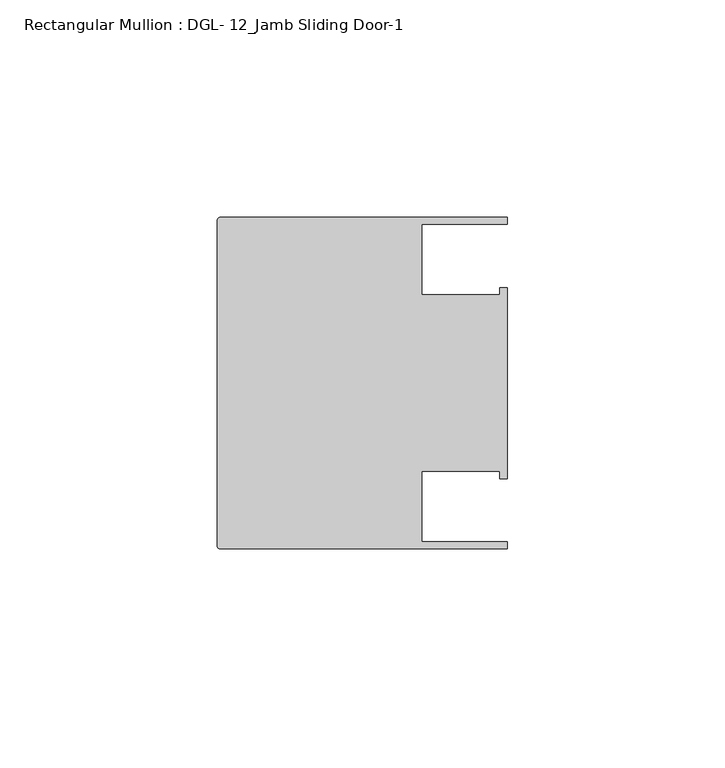
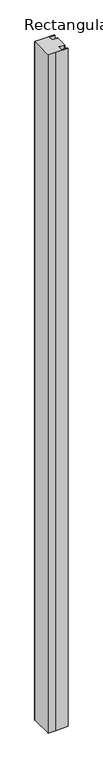
"""IFC4 building model written with IfcOpenShell, lengths in millimetres: member geometry, Rectangular Mullion : DGL- 12_Jamb Sliding Door-1."""

from ifc_helpers import new_model, si_unit, frame, origin, place, context, project, spatial, circle_curve, source, transform, mapped, element, save
from ifc_brep_helpers import plane_surface, cylinder_surface, advanced_brep


def rectangular_mullion_dgl_12_jamb_sliding_door_1_ee74d0f0(model_context):
    return source(origin(), model_context, "Body", "AdvancedBrep", [
        advanced_brep(
        [(66.6740655, 38.0996472, 0.0), (22.0141894, 38.0996472, 0.0), (0.5953125, 38.099984, 0.0), (0.0, 37.5046715, 0.0), (0.0, -37.5047035, 0.0), (0.5953125, -38.100016, 0.0), (25.1629839, -38.100016, 0.0), (66.6649711, -38.100048, 0.0), (66.6649711, -36.5073056, 0.0), (46.9507384, -36.5073056, 0.0), (46.9507384, -20.292327, 0.0), (64.9202072, -20.292327, 0.0), (64.9202072, -21.9711296, 0.0), (66.6740655, -21.9711296, 0.0), (66.6740655, 21.9710656, 0.0), (64.9202072, 21.9710656, 0.0), (64.9202072, 20.3415833, 0.0), (47.0121851, 20.3415833, 0.0), (47.0121851, 36.512484, 0.0), (66.6740655, 36.512484, 0.0), (66.6740655, 38.0996472, -2386.0078176), (66.6740655, 36.512484, -2386.0078176), (47.0121851, 36.512484, -2386.0078176), (47.0121851, 20.3415833, -2386.0078176), (64.9202072, 20.3415833, -2386.0078176), (64.9202072, 21.9710656, -2386.0078176), (66.6740655, 21.9710656, -2386.0078176), (66.6740655, -21.9711296, -2386.0078176), (64.9202072, -21.9711296, -2386.0078176), (64.9202072, -20.292327, -2386.0078176), (46.9507384, -20.292327, -2386.0078176), (46.9507384, -36.5073056, -2386.0078176), (66.6649711, -36.5073056, -2386.0078176), (66.6649711, -38.100048, -2386.0078176), (25.1629839, -38.100048, -2386.0078176), (0.5953125, -38.100016, -2386.0078176), (0.0, -37.5047035, -2386.0078176), (0.0, 37.5046715, -2386.0078176), (0.5953125, 38.099984, -2386.0078176), (22.0141894, 38.099984, -2386.0078176)],
        [
            (0, 1),
            (1, 2),
            (2, 3, circle_curve(frame((0.5953125, 37.5046715, 0.0), z_axis=(0.0, 0.0, 1.0), x_axis=(1.0, 0.0, 0.0)), 0.5953125)),
            (3, 4),
            (4, 5, circle_curve(frame((0.5953125, -37.5047035, 0.0), z_axis=(0.0, 0.0, 1.0), x_axis=(1.0, 0.0, 0.0)), 0.5953125)),
            (5, 6),
            (6, 7),
            (7, 8),
            (8, 9),
            (9, 10),
            (10, 11),
            (11, 12),
            (12, 13),
            (13, 14),
            (14, 15),
            (15, 16),
            (16, 17),
            (17, 18),
            (18, 19),
            (19, 0),
            (20, 21),
            (21, 22),
            (22, 23),
            (23, 24),
            (24, 25),
            (25, 26),
            (26, 27),
            (27, 28),
            (28, 29),
            (29, 30),
            (30, 31),
            (31, 32),
            (32, 33),
            (33, 34),
            (34, 35),
            (35, 36, circle_curve(frame((0.5953125, -37.5047035, -2386.0078176), z_axis=(0.0, 0.0, -1.0), x_axis=(1.0, 0.0, 0.0)), 0.5953125)),
            (36, 37),
            (37, 38, circle_curve(frame((0.5953125, 37.5046715, -2386.0078176), z_axis=(0.0, 0.0, -1.0), x_axis=(1.0, 0.0, 0.0)), 0.5953125)),
            (38, 39),
            (39, 20),
            (1, 39),
            (38, 2),
            (3, 37),
            (36, 4),
            (5, 35),
            (34, 6),
            (33, 7),
            (32, 8),
            (31, 9),
            (30, 10),
            (29, 11),
            (28, 12),
            (27, 13),
            (26, 14),
            (25, 15),
            (24, 16),
            (23, 17),
            (22, 18),
            (21, 19),
            (20, 0),
        ],
        [
            plane_surface(frame((0.0, -76.7920186, 0.0), z_axis=(0.0, 0.0, 1.0), x_axis=(-1.0, 0.0, 0.0))),
            plane_surface(frame((0.0, -76.7920186, -2386.0078176), z_axis=(0.0, 0.0, -1.0), x_axis=(-1.0, 0.0, 0.0))),
            plane_surface(frame((22.0141894, 38.099984, 0.0), z_axis=(0.0, 1.0, 0.0), x_axis=(0.0, 0.0, -1.0))),
            plane_surface(frame((0.0, 37.5046715, 0.0), z_axis=(-1.0, 0.0, 0.0), x_axis=(0.0, 0.0, -1.0))),
            plane_surface(frame((0.5953125, -38.100016, 0.0), z_axis=(0.0, -1.0, 0.0), x_axis=(0.0, 0.0, -1.0))),
            plane_surface(frame((25.1629839, -38.100048, 0.0), z_axis=(0.0, -1.0, 0.0), x_axis=(0.0, 0.0, -1.0))),
            plane_surface(frame((66.6649711, -38.100048, 0.0), z_axis=(1.0, 0.0, 0.0), x_axis=(0.0, 0.0, -1.0))),
            plane_surface(frame((66.6649711, -36.5073056, 0.0), z_axis=(0.0, 1.0, 0.0), x_axis=(0.0, 0.0, -1.0))),
            plane_surface(frame((46.9507384, -36.5073056, 0.0), z_axis=(1.0, 0.0, 0.0), x_axis=(0.0, 0.0, -1.0))),
            plane_surface(frame((46.9507384, -20.292327, 0.0), z_axis=(0.0, -1.0, 0.0), x_axis=(0.0, 0.0, -1.0))),
            plane_surface(frame((64.9202072, -20.292327, 0.0), z_axis=(-1.0, 0.0, 0.0), x_axis=(0.0, 0.0, -1.0))),
            plane_surface(frame((64.9202072, -21.9711296, 0.0), z_axis=(0.0, -1.0, 0.0), x_axis=(0.0, 0.0, -1.0))),
            plane_surface(frame((66.6740655, -21.9711296, 0.0), z_axis=(1.0, 0.0, 0.0), x_axis=(0.0, 0.0, -1.0))),
            plane_surface(frame((66.6740655, 21.9710656, 0.0), z_axis=(0.0, 1.0, 0.0), x_axis=(0.0, 0.0, -1.0))),
            plane_surface(frame((64.9202072, 21.9710656, 0.0), z_axis=(-1.0, 0.0, 0.0), x_axis=(0.0, 0.0, -1.0))),
            plane_surface(frame((64.9202072, 20.3415833, 0.0), z_axis=(0.0, 1.0, 0.0), x_axis=(0.0, 0.0, -1.0))),
            plane_surface(frame((47.0121851, 20.3415833, 0.0), z_axis=(1.0, 0.0, 0.0), x_axis=(0.0, 0.0, -1.0))),
            plane_surface(frame((47.0121851, 36.512484, 0.0), z_axis=(0.0, -1.0, 0.0), x_axis=(0.0, 0.0, -1.0))),
            plane_surface(frame((66.6740655, 36.512484, 0.0), z_axis=(1.0, 0.0, 0.0), x_axis=(0.0, 0.0, -1.0))),
            plane_surface(frame((66.6740655, 38.0996472, 0.0), z_axis=(0.0, 1.0, 0.0), x_axis=(0.0, 0.0, -1.0))),
            cylinder_surface(frame((0.5953125, 37.5046715, 0.0), z_axis=(0.0, 0.0, 1.0), x_axis=(1.0, 0.0, 0.0)), 0.5953125),
            cylinder_surface(frame((0.5953125, -37.5047035, 0.0), z_axis=(0.0, 0.0, 1.0), x_axis=(1.0, 0.0, 0.0)), 0.5953125),
        ],
        [
            (0, [[1, 2, 3, 4, 5, 6, 7, 8, 9, 10, 11, 12, 13, 14, 15, 16, 17, 18, 19, 20]]),
            (1, [[21, 22, 23, 24, 25, 26, 27, 28, 29, 30, 31, 32, 33, 34, 35, 36, 37, 38, 39, 40]]),
            (2, [[-2, 41, -39, 42]]),
            (3, [[-4, 43, -37, 44]]),
            (4, [[-6, 45, -35, 46]]),
            (5, [[-7, -46, -34, 47]]),
            (6, [[-8, -47, -33, 48]]),
            (7, [[-9, -48, -32, 49]]),
            (8, [[-10, -49, -31, 50]]),
            (9, [[-11, -50, -30, 51]]),
            (10, [[-12, -51, -29, 52]]),
            (11, [[-13, -52, -28, 53]]),
            (12, [[-14, -53, -27, 54]]),
            (13, [[-15, -54, -26, 55]]),
            (14, [[-16, -55, -25, 56]]),
            (15, [[-17, -56, -24, 57]]),
            (16, [[-18, -57, -23, 58]]),
            (17, [[-19, -58, -22, 59]]),
            (18, [[-20, -59, -21, 60]]),
            (19, [[-1, -60, -40, -41]]),
            (20, [[-3, -42, -38, -43]]),
            (21, [[-5, -44, -36, -45]]),
        ],
    ),
    ])


if __name__ == "__main__":
    model = new_model("IFC4")
    model_context = context("Model", 3, world=origin())
    ifc_project = project(units=[si_unit("LENGTHUNIT", "METRE", prefix="MILLI")], contexts=[model_context])
    site = spatial("IfcSite", under=ifc_project)
    building = spatial("IfcBuilding", under=site)
    placement = place(None, origin())
    rectangular_mullion_dgl_12_jamb_sliding_door_1_shape = rectangular_mullion_dgl_12_jamb_sliding_door_1_ee74d0f0(model_context)
    element("IfcMember", 1, ObjectType="Rectangular Mullion : DGL- 12_Jamb Sliding Door-1", at=placement, inside=building, context=model_context, shape_type="MappedRepresentation", body=[
        mapped(rectangular_mullion_dgl_12_jamb_sliding_door_1_shape, transform((0.0, 0.0, 0.0), x_axis=(1.0, 0.0, 0.0), y_axis=(0.0, 1.0, 0.0), z_axis=(0.0, 0.0, 1.0))),
    ])
    save(model, "model.ifc")
